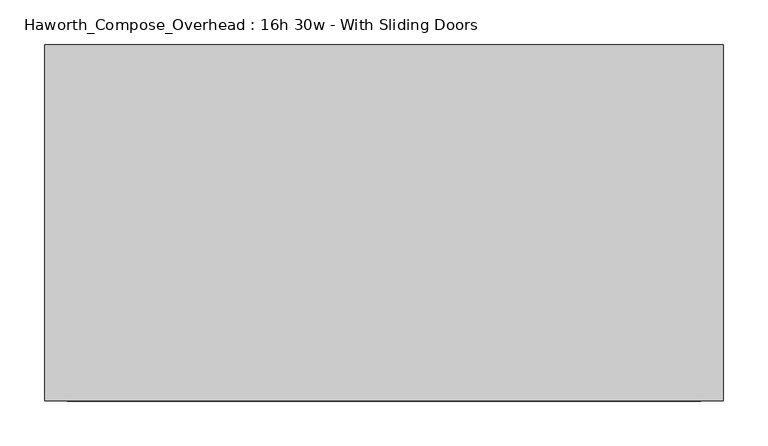
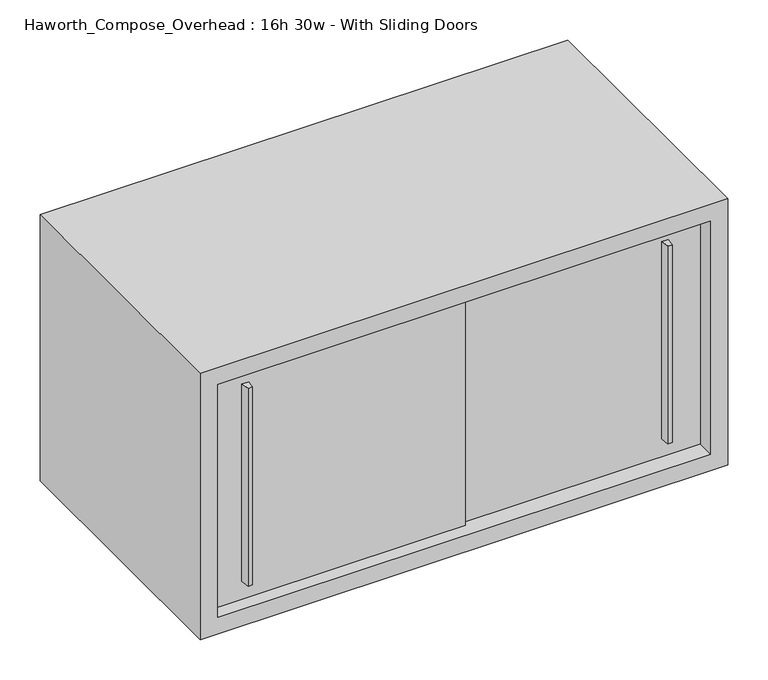
"""IFC4 building model written with IfcOpenShell, lengths in millimetres: furniture geometry, Haworth_Compose_Overhead : 16h 30w - With Sliding Doors."""

from ifc_helpers import new_model, si_unit, frame, origin, place, context, project, spatial, polyline, outline, extrude, source, transform, mapped, element, save


def haworth_compose_overhead_16h_30w_with_sliding_doors_08189bc2(model_context):
    return source(origin(), model_context, "Body", "SweptSolid", [
        extrude(outline(polyline([(473.0750004, -387.3499879), (466.7249996, -387.3499879), (465.1375011, -374.65), (474.6624989, -374.65), (473.0750004, -387.3499879)])), frame((0.0, 0.0, 1322.3875), z_axis=(0.0, 0.0, 1.0), x_axis=(1.0, 0.0, 0.0)), (0.0, 0.0, 1.0), 301.625),
        extrude(outline(polyline([(-136.5249996, -393.6999879), (-142.8750004, -393.6999879), (-144.4624989, -381.0), (-134.9375011, -381.0), (-136.5249996, -393.6999879)])), frame((0.0, 0.0, 1322.3875), z_axis=(0.0, 0.0, 1.0), x_axis=(1.0, 0.0, 0.0)), (0.0, 0.0, 1.0), 301.625),
        extrude(outline(polyline([(-190.5, -374.65), (177.8, -374.65), (177.8, -381.0), (-190.5, -381.0), (-190.5, -374.65)])), frame((0.0, 0.0, 1295.4), z_axis=(0.0, 0.0, 1.0), x_axis=(1.0, 0.0, 0.0)), (0.0, 0.0, 1.0), 355.6),
        extrude(outline(polyline([(152.4, -368.3), (520.7, -368.3), (520.7, -374.65), (152.4, -374.65), (152.4, -368.3)])), frame((0.0, 0.0, 1295.4), z_axis=(0.0, 0.0, 1.0), x_axis=(1.0, 0.0, 0.0)), (0.0, 0.0, 1.0), 355.6),
        extrude(outline(polyline([(520.7, -6.35), (-190.5, -6.35), (-190.5, 0.0), (520.7, 0.0), (520.7, -6.35)])), frame((0.0, 0.0, 1295.4), z_axis=(0.0, 0.0, 1.0), x_axis=(1.0, 0.0, 0.0)), (0.0, 0.0, 1.0), 355.6),
        extrude(outline(polyline([(1270.0, 546.1), (1676.4, 546.1), (1676.4, -215.9), (1270.0, -215.9), (1270.0, 546.1)]), holes=[polyline([(1651.0, 520.7), (1295.4, 520.7), (1295.4, -190.5), (1651.0, -190.5), (1651.0, 520.7)])]), frame((0.0, -400.05, 0.0), z_axis=(0.0, 1.0, 0.0), x_axis=(0.0, 0.0, 1.0)), (0.0, 0.0, 1.0), 400.05),
    ])


if __name__ == "__main__":
    model = new_model("IFC4")
    model_context = context("Model", 3, world=origin())
    ifc_project = project(units=[si_unit("LENGTHUNIT", "METRE", prefix="MILLI")], contexts=[model_context])
    site = spatial("IfcSite", under=ifc_project)
    building = spatial("IfcBuilding", under=site)
    placement = place(None, origin())
    haworth_compose_overhead_16h_30w_with_sliding_doors_shape = haworth_compose_overhead_16h_30w_with_sliding_doors_08189bc2(model_context)
    element("IfcFurniture", 1, ObjectType="Haworth_Compose_Overhead : 16h 30w - With Sliding Doors", at=placement, inside=building, context=model_context, shape_type="MappedRepresentation", body=[
        mapped(haworth_compose_overhead_16h_30w_with_sliding_doors_shape, transform((0.0, 0.0, 0.0), x_axis=(1.0, 0.0, 0.0), y_axis=(0.0, 1.0, 0.0), z_axis=(0.0, 0.0, 1.0))),
    ])
    save(model, "model.ifc")
